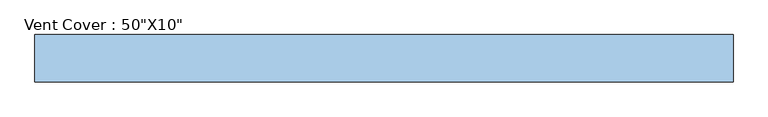
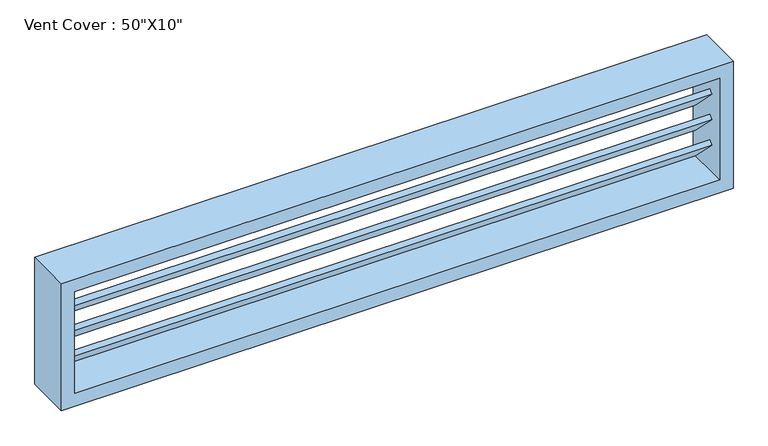
"""IFC4 building model written with IfcOpenShell, lengths in millimetres: window geometry."""

from ifc_helpers import new_model, si_unit, frame, origin, place, context, project, spatial, polyline, outline, extrude, source, transform, mapped, element, save


def window_a71b1e29(model_context):
    return source(origin(), model_context, "Body", "SweptSolid", [
        extrude(outline(polyline([(0.0, -76.2), (0.0, 0.0), (1219.2, 0.0), (1219.2, -76.2), (0.0, -76.2)])), frame((609.6, 116.8473955, 1031.6815367), z_axis=(0.0, 0.7071067811865506, 0.7071067811865446), x_axis=(-1.0, 0.0, 0.0)), (0.0, 0.0, 1.0), 10.0),
        extrude(outline(polyline([(0.0, -76.2), (0.0, 0.0), (1219.2, 0.0), (1219.2, -76.2), (0.0, -76.2)])), frame((609.6, 116.8473955, 980.8815367), z_axis=(0.0, 0.7071067811865506, 0.7071067811865446), x_axis=(-1.0, 0.0, 0.0)), (0.0, 0.0, 1.0), 10.0),
        extrude(outline(polyline([(0.0, -76.2), (0.0, 0.0), (1219.2, 0.0), (1219.2, -76.2), (0.0, -76.2)])), frame((609.6, 116.8473955, 930.0815367), z_axis=(0.0, 0.7071067811865506, 0.7071067811865446), x_axis=(-1.0, 0.0, 0.0)), (0.0, 0.0, 1.0), 10.0),
        extrude(outline(polyline([(0.0, -76.2), (0.0, 0.0), (1219.2, 0.0), (1219.2, -76.2), (0.0, -76.2)])), frame((609.6, 116.8473955, 879.2815367), z_axis=(0.0, 0.7071067811865506, 0.7071067811865446), x_axis=(-1.0, 0.0, 0.0)), (0.0, 0.0, 1.0), 10.0),
        extrude(outline(polyline([(1054.0, 635.0), (1054.0, -635.0), (800.0, -635.0), (800.0, 635.0), (1054.0, 635.0)]), holes=[polyline([(1028.6, 609.6), (825.4, 609.6), (825.4, -609.6), (1028.6, -609.6), (1028.6, 609.6)])]), frame((0.0, 91.6, 0.0), z_axis=(0.0, 1.0, 0.0), x_axis=(0.0, 0.0, 1.0)), (0.0, 0.0, 1.0), 86.2),
    ])


if __name__ == "__main__":
    model = new_model("IFC4")
    model_context = context("Model", 3, world=origin())
    ifc_project = project(units=[si_unit("LENGTHUNIT", "METRE", prefix="MILLI")], contexts=[model_context])
    site = spatial("IfcSite", under=ifc_project)
    building = spatial("IfcBuilding", under=site)
    placement = place(None, origin())
    window_shape = window_a71b1e29(model_context)
    element("IfcWindow", 1, ObjectType="Vent Cover : 50\"X10\"", at=placement, inside=building, context=model_context, shape_type="MappedRepresentation", body=[
        mapped(window_shape, transform((0.0, 0.0, 0.0), x_axis=(1.0, 0.0, 0.0), y_axis=(0.0, 1.0, 0.0), z_axis=(0.0, 0.0, 1.0))),
    ])
    save(model, "model.ifc")
